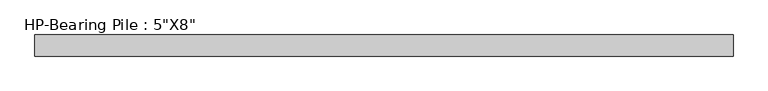
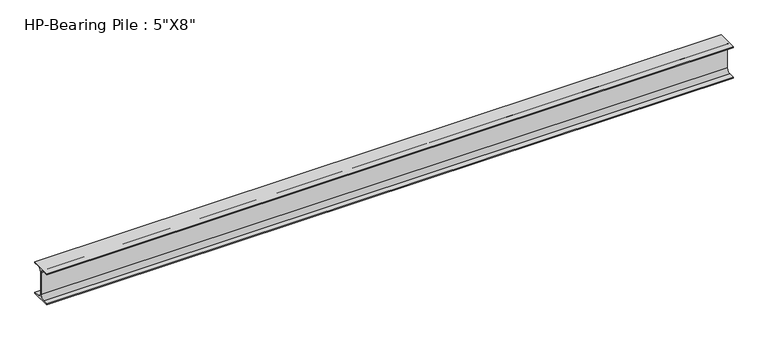
"""IFC4 building model written with IfcOpenShell, lengths in millimetres: beam geometry."""

import ifcopenshell
import ifcopenshell.guid

model = None  # the IFC model being written
_history = None  # IfcOwnerHistory: only IFC2X3 demands one
_inside = {}  # id of a spatial element -> (the spatial element, [elements in it])
_under = {}  # id of a project, library or spatial element -> (it, [spatial elements below it])
_declared = {}  # id of a project -> (the project, [libraries it declares])
_typed = {}  # id of a type object -> (the type object, [elements of that type])
_made_of = {}  # id of a material, layer set ... -> (it, [elements and type objects made of it])


def new_model(schema):
    """Start an empty IFC model of exactly this schema.

    Asked for "IFC4X3", IfcOpenShell would pick the latest addendum, in which some entities
    have other attributes; the version numbers below select the first issue.
    IFC2X3 requires an IfcOwnerHistory on every rooted entity: one is made here for all.
    """
    global model, _history
    if schema == "IFC4X3":
        model = ifcopenshell.file(schema_version=(4, 3, 0, 0))
    else:
        model = ifcopenshell.file(schema=schema)
    _inside.clear()
    _under.clear()
    _declared.clear()
    _typed.clear()
    _made_of.clear()
    _history = None
    if model.schema == "IFC2X3":
        org = make("IfcOrganization", Name="unknown")
        user = make(
            "IfcPersonAndOrganization",
            ThePerson=make("IfcPerson", FamilyName="unknown"),
            TheOrganization=org,
        )
        app = make(
            "IfcApplication",
            ApplicationDeveloper=org,
            Version="unknown",
            ApplicationFullName="unknown",
            ApplicationIdentifier="unknown",
        )
        _history = make(
            "IfcOwnerHistory",
            OwningUser=user,
            OwningApplication=app,
            ChangeAction="ADDED",
            CreationDate=0,
        )
    return model


def make(cls, **values):
    """One entity of the class cls with the attributes given. An attribute that is None is left unset."""
    return model.create_entity(
        cls, **{name: value for name, value in values.items() if value is not None}
    )


def rooted(cls, **values):
    """An entity with a GlobalId (a new one), such as an element, a storey or a relation."""
    return make(cls, GlobalId=ifcopenshell.guid.new(), OwnerHistory=_history, **values)


def si_unit(unit_type, name, prefix=None):
    """IfcSIUnit, for example si_unit("LENGTHUNIT", "METRE", prefix="MILLI")."""
    return make("IfcSIUnit", UnitType=unit_type, Prefix=prefix, Name=name)


def assignment(units):
    """IfcUnitAssignment: the units of a project."""
    return None if units is None else make("IfcUnitAssignment", Units=units)


def point(xyz):
    """IfcCartesianPoint."""
    return None if xyz is None else make("IfcCartesianPoint", Coordinates=xyz)


def direction(xyz):
    """IfcDirection."""
    return None if xyz is None else make("IfcDirection", DirectionRatios=xyz)


def frame(location, z_axis=None, x_axis=None):
    """IfcAxis2Placement3D, a coordinate frame: its origin and axes. An axis left out is left unset."""
    return make(
        "IfcAxis2Placement3D",
        Location=point(location),
        Axis=direction(z_axis),
        RefDirection=direction(x_axis),
    )


def frame_2d(location, x_axis=None):
    """IfcAxis2Placement2D, a coordinate frame in the plane: its origin and x axis."""
    return make(
        "IfcAxis2Placement2D", Location=point(location), RefDirection=direction(x_axis)
    )


def origin():
    """The frame at (0, 0, 0) with its axes left unset."""
    return frame((0.0, 0.0, 0.0))


def place(relative_to, where):
    """IfcLocalPlacement: puts the frame where relative to a parent placement (None: the world)."""
    return make(
        "IfcLocalPlacement", PlacementRelTo=relative_to, RelativePlacement=where
    )


def context(
    kind, dimensions, precision=None, world=None, true_north=None, identifier=None
):
    """IfcGeometricRepresentationContext, for example the 3D "Model" context."""
    return make(
        "IfcGeometricRepresentationContext",
        ContextIdentifier=identifier,
        ContextType=kind,
        CoordinateSpaceDimension=dimensions,
        Precision=precision,
        WorldCoordinateSystem=world,
        TrueNorth=true_north,
    )


def project(units=None, contexts=None):
    """IfcProject with its units and contexts."""
    return rooted(
        "IfcProject",
        Name="project",
        RepresentationContexts=contexts,
        UnitsInContext=assignment(units),
    )


def spatial(cls, under=None, at=None, **own):
    """A site, building, storey or space (cls), placed at a placement, below another one or the project."""
    s = rooted(cls, ObjectPlacement=at, **own)
    if under is not None:
        _under.setdefault(under.id(), (under, []))[1].append(s)
    return s


def polyline(points):
    """IfcPolyline through the points."""
    return make("IfcPolyline", Points=[point(p) for p in points])


def circle_curve(where, radius):
    """IfcCircle in the frame where."""
    return make("IfcCircle", Position=where, Radius=radius)


def trimmed(basis, trim1, trim2, sense, master):
    """IfcTrimmedCurve: the piece of a basis curve between two trims."""
    return make(
        "IfcTrimmedCurve",
        BasisCurve=basis,
        Trim1=trim1,
        Trim2=trim2,
        SenseAgreement=sense,
        MasterRepresentation=master,
    )


def segment(curve, same_sense, transition):
    """IfcCompositeCurveSegment."""
    return make(
        "IfcCompositeCurveSegment",
        Transition=transition,
        SameSense=same_sense,
        ParentCurve=curve,
    )


def composite_curve(segments, self_intersect=None):
    """IfcCompositeCurve: segments joined end to end."""
    return make("IfcCompositeCurve", Segments=segments, SelfIntersect=self_intersect)


def outline(outer, holes=None, kind="AREA"):
    """IfcArbitraryClosedProfileDef: a profile drawn as a closed curve; with holes, ...WithVoids."""
    if holes is None:
        return make("IfcArbitraryClosedProfileDef", ProfileType=kind, OuterCurve=outer)
    return make(
        "IfcArbitraryProfileDefWithVoids",
        ProfileType=kind,
        OuterCurve=outer,
        InnerCurves=holes,
    )


def extrude(swept, where, along, depth):
    """IfcExtrudedAreaSolid: the profile swept, set in the frame where, extruded along a direction by depth."""
    return make(
        "IfcExtrudedAreaSolid",
        SweptArea=swept,
        Position=where,
        ExtrudedDirection=direction(along),
        Depth=depth,
    )


def shape(context_of_items, identifier, shape_type, items):
    """IfcShapeRepresentation: the items that make up one representation, for example the "Body"."""
    return make(
        "IfcShapeRepresentation",
        ContextOfItems=context_of_items,
        RepresentationIdentifier=identifier,
        RepresentationType=shape_type,
        Items=items,
    )


def source(mapping_origin, context_of_items, identifier, shape_type, items):
    """IfcRepresentationMap: a shape defined once, which mapped items show again and again."""
    return make(
        "IfcRepresentationMap",
        MappingOrigin=mapping_origin,
        MappedRepresentation=shape(context_of_items, identifier, shape_type, items),
    )


def transform(
    local_origin,
    x_axis=None,
    y_axis=None,
    z_axis=None,
    scale=None,
    scale2=None,
    scale3=None,
    uniform=True,
):
    """IfcCartesianTransformationOperator3D, or its non-uniform kind. x_axis, y_axis, z_axis: its Axis1, 2, 3."""
    if uniform:
        return make(
            "IfcCartesianTransformationOperator3D",
            Axis1=direction(x_axis),
            Axis2=direction(y_axis),
            LocalOrigin=point(local_origin),
            Scale=scale,
            Axis3=direction(z_axis),
        )
    return make(
        "IfcCartesianTransformationOperator3DnonUniform",
        Axis1=direction(x_axis),
        Axis2=direction(y_axis),
        LocalOrigin=point(local_origin),
        Scale=scale,
        Axis3=direction(z_axis),
        Scale2=scale2,
        Scale3=scale3,
    )


def mapped(mapping_source, mapping_target):
    """IfcMappedItem: shows the shape of a source again, moved by a transform."""
    return make(
        "IfcMappedItem", MappingSource=mapping_source, MappingTarget=mapping_target
    )


def made_of(thing, what):
    """Note that an element or type object is made of a material, layer set ...; save() writes the relation."""
    if what is not None:
        _made_of.setdefault(what.id(), (what, []))[1].append(thing)
    return thing


def element(
    cls,
    number,
    at=None,
    inside=None,
    cuts=None,
    type_object=None,
    material=None,
    context=None,
    identifier="Body",
    shape_type=None,
    held_by="IfcProductDefinitionShape",
    body=None,
    shapes=None,
    **own,
):
    """One element of the class cls, such as IfcWall. Its Tag is "e" and its number.

    at: its placement. inside: the storey or other place that contains it. cuts: it is an
    opening in that element (IfcRelVoidsElement). A single representation is given by context,
    identifier, shape_type and body (its items); several are given by shapes. held_by: the class
    of the entity that holds the representations. save() writes the other relations.
    """
    e = rooted(cls, Tag="e%d" % number, ObjectPlacement=at, **own)
    if body is not None:
        shapes = [shape(context, identifier, shape_type, body)]
    if shapes is not None:
        e.Representation = make(held_by, Representations=shapes)
    if inside is not None:
        _inside.setdefault(inside.id(), (inside, []))[1].append(e)
    if cuts is not None:
        rooted(
            "IfcRelVoidsElement", RelatingBuildingElement=cuts, RelatedOpeningElement=e
        )
    if type_object is not None:
        _typed.setdefault(type_object.id(), (type_object, []))[1].append(e)
    return made_of(e, material)


def aggregate(whole, parts):
    """IfcRelAggregates: a whole, such as a stair, and the parts it consists of."""
    return rooted("IfcRelAggregates", RelatingObject=whole, RelatedObjects=parts)


def save(model, path):
    """Write the relations noted so far, then the file.

    IfcRelAggregates (storeys below a building ...), IfcRelContainedInSpatialStructure (elements
    in a storey), IfcRelDefinesByType, IfcRelAssociatesMaterial and IfcRelDeclares: one each for
    every whole, place, type object, material and project.
    """
    for whole, parts in _under.values():
        aggregate(whole, parts)
    for where, things in _inside.values():
        rooted(
            "IfcRelContainedInSpatialStructure",
            RelatedElements=things,
            RelatingStructure=where,
        )
    for kind, things in _typed.values():
        rooted("IfcRelDefinesByType", RelatedObjects=things, RelatingType=kind)
    for what, things in _made_of.values():
        rooted("IfcRelAssociatesMaterial", RelatedObjects=things, RelatingMaterial=what)
    for by, libraries in _declared.values():
        rooted("IfcRelDeclares", RelatingContext=by, RelatedDefinitions=libraries)
    model.write(path)


def beam_f24a2289(model_context):
    return source(origin(), model_context, "Body", "SweptSolid", [
        extrude(outline(composite_curve([segment(polyline([(63.5, -95.25), (63.5, -101.6), (-63.5, -101.6), (-63.5, -95.25), (-28.575, -95.25)]), True, "CONTINUOUS"), segment(trimmed(circle_curve(frame_2d((-28.575, -69.85)), 25.4), [point((-28.575, -95.25))], [point((-3.175, -69.85))], True, "CARTESIAN"), True, "CONTINUOUS"), segment(polyline([(-3.175, -69.85), (-3.175, 69.85)]), True, "CONTINUOUS"), segment(trimmed(circle_curve(frame_2d((-28.575, 69.85)), 25.4), [point((-3.175, 69.85))], [point((-28.575, 95.25))], True, "CARTESIAN"), True, "CONTINUOUS"), segment(polyline([(-28.575, 95.25), (-63.5, 95.25), (-63.5, 101.6), (63.5, 101.6), (63.5, 95.25), (28.575, 95.25)]), True, "CONTINUOUS"), segment(trimmed(circle_curve(frame_2d((28.575, 69.85)), 25.4), [point((28.575, 95.25))], [point((3.175, 69.85))], True, "CARTESIAN"), True, "CONTINUOUS"), segment(polyline([(3.175, 69.85), (3.175, -69.85)]), True, "CONTINUOUS"), segment(trimmed(circle_curve(frame_2d((28.575, -69.85)), 25.4), [point((3.175, -69.85))], [point((28.575, -95.25))], True, "CARTESIAN"), True, "CONTINUOUS"), segment(polyline([(28.575, -95.25), (63.5, -95.25)]), True, "CONTINUOUS")], self_intersect=False)), frame((-2100.6217096, 0.0, 0.0), z_axis=(1.0, 0.0, 0.0), x_axis=(0.0, 1.0, 0.0)), (0.0, 0.0, 1.0), 4201.2434191),
    ])


if __name__ == "__main__":
    model = new_model("IFC4")
    model_context = context("Model", 3, world=origin())
    ifc_project = project(units=[si_unit("LENGTHUNIT", "METRE", prefix="MILLI")], contexts=[model_context])
    site = spatial("IfcSite", under=ifc_project)
    building = spatial("IfcBuilding", under=site)
    placement = place(None, origin())
    beam_shape = beam_f24a2289(model_context)
    element("IfcBeam", 1, ObjectType="HP-Bearing Pile : 5\"X8\"", at=placement, inside=building, context=model_context, shape_type="MappedRepresentation", body=[
        mapped(beam_shape, transform((0.0, 0.0, 0.0), x_axis=(1.0, 0.0, 0.0), y_axis=(0.0, 1.0, 0.0), z_axis=(0.0, 0.0, 1.0))),
    ])
    save(model, "model.ifc")
